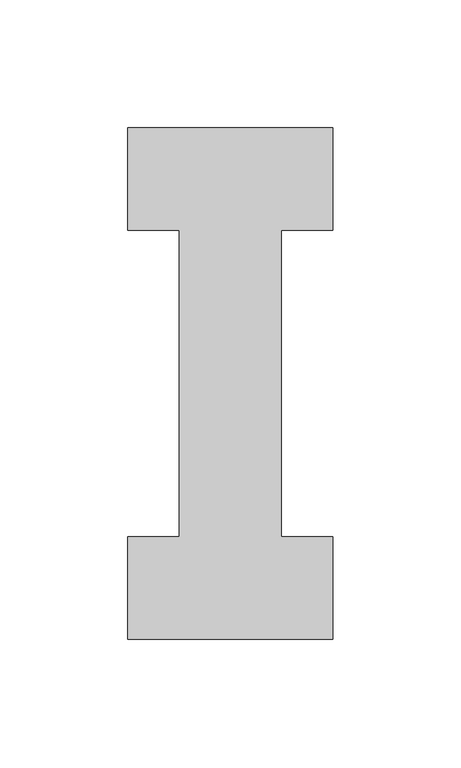
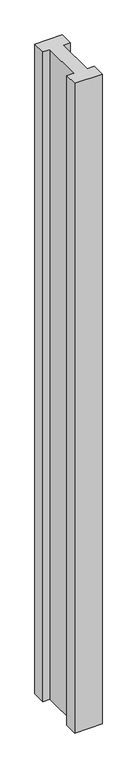
"""IFC4 building model written with IfcOpenShell, lengths in millimetres: proxy geometry."""

import ifcopenshell
import ifcopenshell.guid

model = None  # the IFC model being written
_history = None  # IfcOwnerHistory: only IFC2X3 demands one
_inside = {}  # id of a spatial element -> (the spatial element, [elements in it])
_under = {}  # id of a project, library or spatial element -> (it, [spatial elements below it])
_declared = {}  # id of a project -> (the project, [libraries it declares])
_typed = {}  # id of a type object -> (the type object, [elements of that type])
_made_of = {}  # id of a material, layer set ... -> (it, [elements and type objects made of it])


def new_model(schema):
    """Start an empty IFC model of exactly this schema.

    Asked for "IFC4X3", IfcOpenShell would pick the latest addendum, in which some entities
    have other attributes; the version numbers below select the first issue.
    IFC2X3 requires an IfcOwnerHistory on every rooted entity: one is made here for all.
    """
    global model, _history
    if schema == "IFC4X3":
        model = ifcopenshell.file(schema_version=(4, 3, 0, 0))
    else:
        model = ifcopenshell.file(schema=schema)
    _inside.clear()
    _under.clear()
    _declared.clear()
    _typed.clear()
    _made_of.clear()
    _history = None
    if model.schema == "IFC2X3":
        org = make("IfcOrganization", Name="unknown")
        user = make(
            "IfcPersonAndOrganization",
            ThePerson=make("IfcPerson", FamilyName="unknown"),
            TheOrganization=org,
        )
        app = make(
            "IfcApplication",
            ApplicationDeveloper=org,
            Version="unknown",
            ApplicationFullName="unknown",
            ApplicationIdentifier="unknown",
        )
        _history = make(
            "IfcOwnerHistory",
            OwningUser=user,
            OwningApplication=app,
            ChangeAction="ADDED",
            CreationDate=0,
        )
    return model


def make(cls, **values):
    """One entity of the class cls with the attributes given. An attribute that is None is left unset."""
    return model.create_entity(
        cls, **{name: value for name, value in values.items() if value is not None}
    )


def rooted(cls, **values):
    """An entity with a GlobalId (a new one), such as an element, a storey or a relation."""
    return make(cls, GlobalId=ifcopenshell.guid.new(), OwnerHistory=_history, **values)


def si_unit(unit_type, name, prefix=None):
    """IfcSIUnit, for example si_unit("LENGTHUNIT", "METRE", prefix="MILLI")."""
    return make("IfcSIUnit", UnitType=unit_type, Prefix=prefix, Name=name)


def assignment(units):
    """IfcUnitAssignment: the units of a project."""
    return None if units is None else make("IfcUnitAssignment", Units=units)


def point(xyz):
    """IfcCartesianPoint."""
    return None if xyz is None else make("IfcCartesianPoint", Coordinates=xyz)


def direction(xyz):
    """IfcDirection."""
    return None if xyz is None else make("IfcDirection", DirectionRatios=xyz)


def frame(location, z_axis=None, x_axis=None):
    """IfcAxis2Placement3D, a coordinate frame: its origin and axes. An axis left out is left unset."""
    return make(
        "IfcAxis2Placement3D",
        Location=point(location),
        Axis=direction(z_axis),
        RefDirection=direction(x_axis),
    )


def origin():
    """The frame at (0, 0, 0) with its axes left unset."""
    return frame((0.0, 0.0, 0.0))


def origin_with_axes():
    """The frame at (0, 0, 0) with the z axis (0, 0, 1) and the x axis (1, 0, 0) written out."""
    return frame((0.0, 0.0, 0.0), z_axis=(0.0, 0.0, 1.0), x_axis=(1.0, 0.0, 0.0))


def place(relative_to, where):
    """IfcLocalPlacement: puts the frame where relative to a parent placement (None: the world)."""
    return make(
        "IfcLocalPlacement", PlacementRelTo=relative_to, RelativePlacement=where
    )


def context(
    kind, dimensions, precision=None, world=None, true_north=None, identifier=None
):
    """IfcGeometricRepresentationContext, for example the 3D "Model" context."""
    return make(
        "IfcGeometricRepresentationContext",
        ContextIdentifier=identifier,
        ContextType=kind,
        CoordinateSpaceDimension=dimensions,
        Precision=precision,
        WorldCoordinateSystem=world,
        TrueNorth=true_north,
    )


def project(units=None, contexts=None):
    """IfcProject with its units and contexts."""
    return rooted(
        "IfcProject",
        Name="project",
        RepresentationContexts=contexts,
        UnitsInContext=assignment(units),
    )


def spatial(cls, under=None, at=None, **own):
    """A site, building, storey or space (cls), placed at a placement, below another one or the project."""
    s = rooted(cls, ObjectPlacement=at, **own)
    if under is not None:
        _under.setdefault(under.id(), (under, []))[1].append(s)
    return s


def polyline(points):
    """IfcPolyline through the points."""
    return make("IfcPolyline", Points=[point(p) for p in points])


def outline(outer, holes=None, kind="AREA"):
    """IfcArbitraryClosedProfileDef: a profile drawn as a closed curve; with holes, ...WithVoids."""
    if holes is None:
        return make("IfcArbitraryClosedProfileDef", ProfileType=kind, OuterCurve=outer)
    return make(
        "IfcArbitraryProfileDefWithVoids",
        ProfileType=kind,
        OuterCurve=outer,
        InnerCurves=holes,
    )


def extrude(swept, where, along, depth):
    """IfcExtrudedAreaSolid: the profile swept, set in the frame where, extruded along a direction by depth."""
    return make(
        "IfcExtrudedAreaSolid",
        SweptArea=swept,
        Position=where,
        ExtrudedDirection=direction(along),
        Depth=depth,
    )


def shape(context_of_items, identifier, shape_type, items):
    """IfcShapeRepresentation: the items that make up one representation, for example the "Body"."""
    return make(
        "IfcShapeRepresentation",
        ContextOfItems=context_of_items,
        RepresentationIdentifier=identifier,
        RepresentationType=shape_type,
        Items=items,
    )


def source(mapping_origin, context_of_items, identifier, shape_type, items):
    """IfcRepresentationMap: a shape defined once, which mapped items show again and again."""
    return make(
        "IfcRepresentationMap",
        MappingOrigin=mapping_origin,
        MappedRepresentation=shape(context_of_items, identifier, shape_type, items),
    )


def transform(
    local_origin,
    x_axis=None,
    y_axis=None,
    z_axis=None,
    scale=None,
    scale2=None,
    scale3=None,
    uniform=True,
):
    """IfcCartesianTransformationOperator3D, or its non-uniform kind. x_axis, y_axis, z_axis: its Axis1, 2, 3."""
    if uniform:
        return make(
            "IfcCartesianTransformationOperator3D",
            Axis1=direction(x_axis),
            Axis2=direction(y_axis),
            LocalOrigin=point(local_origin),
            Scale=scale,
            Axis3=direction(z_axis),
        )
    return make(
        "IfcCartesianTransformationOperator3DnonUniform",
        Axis1=direction(x_axis),
        Axis2=direction(y_axis),
        LocalOrigin=point(local_origin),
        Scale=scale,
        Axis3=direction(z_axis),
        Scale2=scale2,
        Scale3=scale3,
    )


def mapped(mapping_source, mapping_target):
    """IfcMappedItem: shows the shape of a source again, moved by a transform."""
    return make(
        "IfcMappedItem", MappingSource=mapping_source, MappingTarget=mapping_target
    )


def made_of(thing, what):
    """Note that an element or type object is made of a material, layer set ...; save() writes the relation."""
    if what is not None:
        _made_of.setdefault(what.id(), (what, []))[1].append(thing)
    return thing


def element(
    cls,
    number,
    at=None,
    inside=None,
    cuts=None,
    type_object=None,
    material=None,
    context=None,
    identifier="Body",
    shape_type=None,
    held_by="IfcProductDefinitionShape",
    body=None,
    shapes=None,
    **own,
):
    """One element of the class cls, such as IfcWall. Its Tag is "e" and its number.

    at: its placement. inside: the storey or other place that contains it. cuts: it is an
    opening in that element (IfcRelVoidsElement). A single representation is given by context,
    identifier, shape_type and body (its items); several are given by shapes. held_by: the class
    of the entity that holds the representations. save() writes the other relations.
    """
    e = rooted(cls, Tag="e%d" % number, ObjectPlacement=at, **own)
    if body is not None:
        shapes = [shape(context, identifier, shape_type, body)]
    if shapes is not None:
        e.Representation = make(held_by, Representations=shapes)
    if inside is not None:
        _inside.setdefault(inside.id(), (inside, []))[1].append(e)
    if cuts is not None:
        rooted(
            "IfcRelVoidsElement", RelatingBuildingElement=cuts, RelatedOpeningElement=e
        )
    if type_object is not None:
        _typed.setdefault(type_object.id(), (type_object, []))[1].append(e)
    return made_of(e, material)


def aggregate(whole, parts):
    """IfcRelAggregates: a whole, such as a stair, and the parts it consists of."""
    return rooted("IfcRelAggregates", RelatingObject=whole, RelatedObjects=parts)


def save(model, path):
    """Write the relations noted so far, then the file.

    IfcRelAggregates (storeys below a building ...), IfcRelContainedInSpatialStructure (elements
    in a storey), IfcRelDefinesByType, IfcRelAssociatesMaterial and IfcRelDeclares: one each for
    every whole, place, type object, material and project.
    """
    for whole, parts in _under.values():
        aggregate(whole, parts)
    for where, things in _inside.values():
        rooted(
            "IfcRelContainedInSpatialStructure",
            RelatedElements=things,
            RelatingStructure=where,
        )
    for kind, things in _typed.values():
        rooted("IfcRelDefinesByType", RelatedObjects=things, RelatingType=kind)
    for what, things in _made_of.values():
        rooted("IfcRelAssociatesMaterial", RelatedObjects=things, RelatingMaterial=what)
    for by, libraries in _declared.values():
        rooted("IfcRelDeclares", RelatingContext=by, RelatedDefinitions=libraries)
    model.write(path)


def generic_models_834414bd(model_context):
    return source(origin(), model_context, "Body", "SweptSolid", [
        extrude(outline(polyline([(-20.0, 40.0), (-20.0, 160.0), (-40.0596408, 160.0), (-40.0596408, 200.0), (40.0596408, 200.0), (40.0596408, 160.0), (20.0, 160.0), (20.0, 40.0), (40.0596408, 40.0), (40.0596408, 0.0), (-40.0596408, 0.0), (-40.0596408, 40.0), (-20.0, 40.0)])), origin_with_axes(), (0.0, 0.0, 1.0), 2000.0),
    ])


if __name__ == "__main__":
    model = new_model("IFC4")
    model_context = context("Model", 3, world=origin())
    ifc_project = project(units=[si_unit("LENGTHUNIT", "METRE", prefix="MILLI")], contexts=[model_context])
    site = spatial("IfcSite", under=ifc_project)
    building = spatial("IfcBuilding", under=site)
    placement = place(None, origin())
    generic_models_shape = generic_models_834414bd(model_context)
    element("IfcBuildingElementProxy", 1, Name="Generic Models", at=placement, inside=building, context=model_context, shape_type="MappedRepresentation", body=[
        mapped(generic_models_shape, transform((0.0, 0.0, 0.0), x_axis=(1.0, 0.0, 0.0), y_axis=(0.0, 1.0, 0.0), z_axis=(0.0, 0.0, 1.0))),
    ])
    save(model, "model.ifc")
